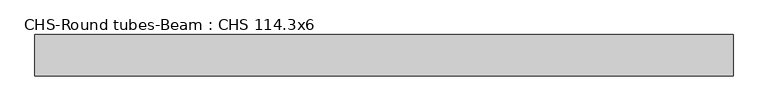
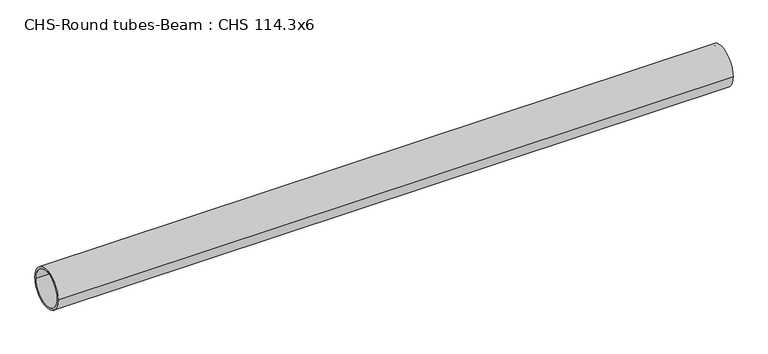
"""IFC4 building model written with IfcOpenShell, lengths in millimetres: beam geometry, CHS-Round tubes-Beam : CHS 114.3x6."""

from ifc_helpers import new_model, si_unit, point, frame, origin, origin_2d, place, context, project, spatial, circle_curve, trimmed, segment, composite_curve, outline, extrude, source, transform, mapped, element, save


def chs_round_tubes_beam_chs_114_3x6_86892fd9(model_context):
    return source(origin(), model_context, "Body", "SweptSolid", [
        extrude(outline(composite_curve([segment(trimmed(circle_curve(origin_2d(), 57.15), [point((57.15, 0.0))], [point((-57.15, 0.0))], False, "CARTESIAN"), True, "CONTINUOUS"), segment(trimmed(circle_curve(origin_2d(), 57.15), [point((-57.15, 0.0))], [point((57.15, 0.0))], False, "CARTESIAN"), True, "CONTINUOUS")], self_intersect=False), holes=[composite_curve([segment(trimmed(circle_curve(origin_2d(), 51.15), [point((51.15, 0.0))], [point((-51.15, 0.0))], True, "CARTESIAN"), True, "CONTINUOUS"), segment(trimmed(circle_curve(origin_2d(), 51.15), [point((-51.15, 0.0))], [point((51.15, 0.0))], True, "CARTESIAN"), True, "CONTINUOUS")], self_intersect=False)]), frame((-968.832405, 0.0, 0.0), z_axis=(1.0, 0.0, 0.0), x_axis=(0.0, 1.0, 0.0)), (0.0, 0.0, 1.0), 1929.0547894),
    ])


if __name__ == "__main__":
    model = new_model("IFC4")
    model_context = context("Model", 3, world=origin())
    ifc_project = project(units=[si_unit("LENGTHUNIT", "METRE", prefix="MILLI")], contexts=[model_context])
    site = spatial("IfcSite", under=ifc_project)
    building = spatial("IfcBuilding", under=site)
    placement = place(None, origin())
    chs_round_tubes_beam_chs_114_3x6_shape = chs_round_tubes_beam_chs_114_3x6_86892fd9(model_context)
    element("IfcBeam", 1, ObjectType="CHS-Round tubes-Beam : CHS 114.3x6", at=placement, inside=building, context=model_context, shape_type="MappedRepresentation", body=[
        mapped(chs_round_tubes_beam_chs_114_3x6_shape, transform((0.0, 0.0, 0.0), x_axis=(1.0, 0.0, 0.0), y_axis=(0.0, 1.0, 0.0), z_axis=(0.0, 0.0, 1.0))),
    ])
    save(model, "model.ifc")
